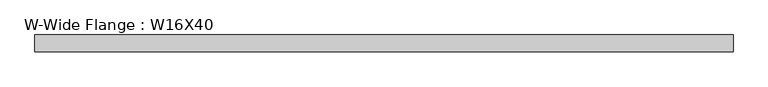
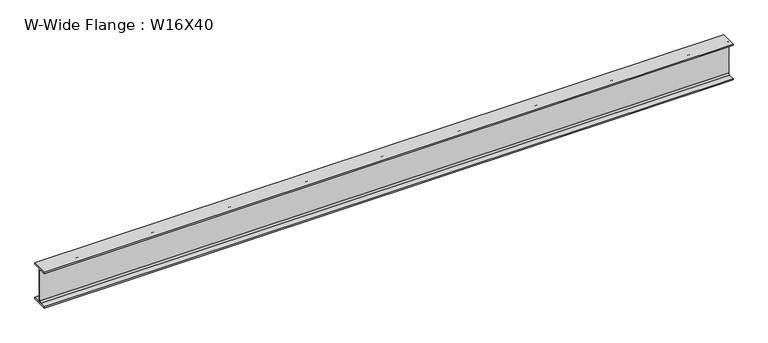
"""IFC4 building model written with IfcOpenShell, lengths in millimetres: beam geometry, W-Wide Flange : W16X40."""

from ifc_helpers import new_model, si_unit, point, frame, frame_2d, origin, place, context, project, spatial, polyline, circle_curve, trimmed, segment, composite_curve, outline, extrude, source, transform, mapped, element, save


def w_wide_flange_w16x40_3d88ba04(model_context):
    return source(origin(), model_context, "Body", "SweptSolid", [
        extrude(outline(composite_curve([segment(polyline([(88.9, -190.4), (88.9, -203.2), (-88.9, -203.2), (-88.9, -190.4), (-21.25, -190.4)]), True, "CONTINUOUS"), segment(trimmed(circle_curve(frame_2d((-21.25, -173.0)), 17.4), [point((-21.25, -190.4))], [point((-3.85, -173.0))], True, "CARTESIAN"), True, "CONTINUOUS"), segment(polyline([(-3.85, -173.0), (-3.85, 173.0)]), True, "CONTINUOUS"), segment(trimmed(circle_curve(frame_2d((-21.25, 173.0)), 17.4), [point((-3.85, 173.0))], [point((-21.25, 190.4))], True, "CARTESIAN"), True, "CONTINUOUS"), segment(polyline([(-21.25, 190.4), (-88.9, 190.4), (-88.9, 203.2), (88.9, 203.2), (88.9, 190.4), (21.25, 190.4)]), True, "CONTINUOUS"), segment(trimmed(circle_curve(frame_2d((21.25, 173.0)), 17.4), [point((21.25, 190.4))], [point((3.85, 173.0))], True, "CARTESIAN"), True, "CONTINUOUS"), segment(polyline([(3.85, 173.0), (3.85, -173.0)]), True, "CONTINUOUS"), segment(trimmed(circle_curve(frame_2d((21.25, -173.0)), 17.4), [point((3.85, -173.0))], [point((21.25, -190.4))], True, "CARTESIAN"), True, "CONTINUOUS"), segment(polyline([(21.25, -190.4), (88.9, -190.4)]), True, "CONTINUOUS")], self_intersect=False)), frame((-3718.4001466, 0.0, 0.0), z_axis=(1.0, 0.0, 0.0), x_axis=(0.0, 1.0, 0.0)), (0.0, 0.0, 1.0), 7433.515604),
    ])


if __name__ == "__main__":
    model = new_model("IFC4")
    model_context = context("Model", 3, world=origin())
    ifc_project = project(units=[si_unit("LENGTHUNIT", "METRE", prefix="MILLI")], contexts=[model_context])
    site = spatial("IfcSite", under=ifc_project)
    building = spatial("IfcBuilding", under=site)
    placement = place(None, origin())
    w_wide_flange_w16x40_shape = w_wide_flange_w16x40_3d88ba04(model_context)
    element("IfcBeam", 1, ObjectType="W-Wide Flange : W16X40", at=placement, inside=building, context=model_context, shape_type="MappedRepresentation", body=[
        mapped(w_wide_flange_w16x40_shape, transform((0.0, 0.0, 0.0), x_axis=(1.0, 0.0, 0.0), y_axis=(0.0, 1.0, 0.0), z_axis=(0.0, 0.0, 1.0))),
    ])
    save(model, "model.ifc")
